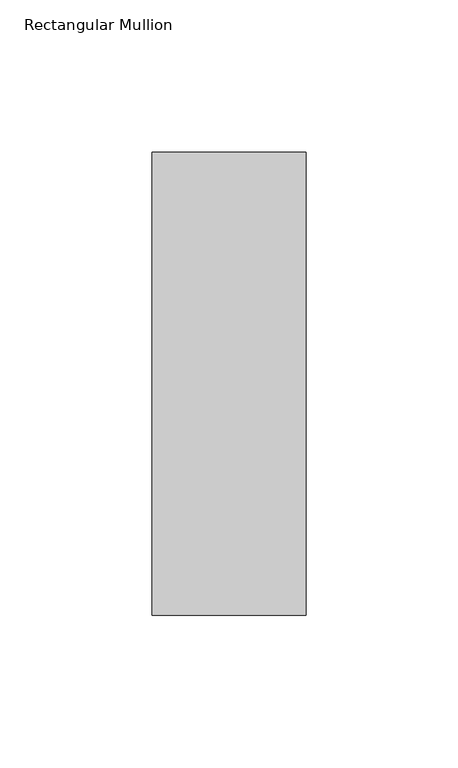
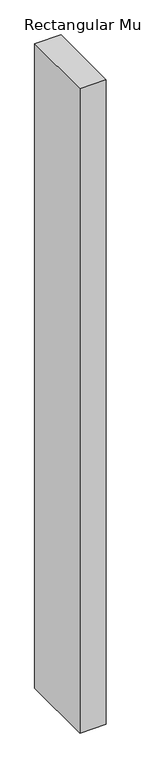
"""IFC4 building model written with IfcOpenShell, lengths in millimetres: member geometry, Rectangular Mullion."""

from ifc_helpers import new_model, si_unit, frame, origin, place, context, project, spatial, polyline, outline, extrude, source, transform, mapped, element, save


def rectangular_mullion_1efa8cbd(model_context):
    return source(origin(), model_context, "Body", "SweptSolid", [
        extrude(outline(polyline([(0.0, -26.19375), (-50.8, -26.19375), (-50.8, 126.20625), (0.0, 126.20625), (0.0, -26.19375)])), frame((0.0, 0.0, -1320.8), z_axis=(0.0, 0.0, 1.0), x_axis=(1.0, 0.0, 0.0)), (0.0, 0.0, 1.0), 1320.8),
    ])


if __name__ == "__main__":
    model = new_model("IFC4")
    model_context = context("Model", 3, world=origin())
    ifc_project = project(units=[si_unit("LENGTHUNIT", "METRE", prefix="MILLI")], contexts=[model_context])
    site = spatial("IfcSite", under=ifc_project)
    building = spatial("IfcBuilding", under=site)
    placement = place(None, origin())
    rectangular_mullion_shape = rectangular_mullion_1efa8cbd(model_context)
    element("IfcMember", 1, ObjectType="Rectangular Mullion", at=placement, inside=building, context=model_context, shape_type="MappedRepresentation", body=[
        mapped(rectangular_mullion_shape, transform((0.0, 0.0, 0.0), x_axis=(1.0, 0.0, 0.0), y_axis=(0.0, 1.0, 0.0), z_axis=(0.0, 0.0, 1.0))),
    ])
    save(model, "model.ifc")
